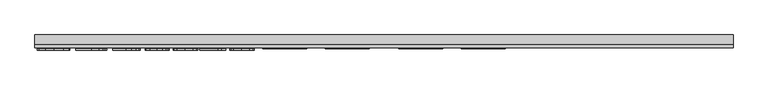
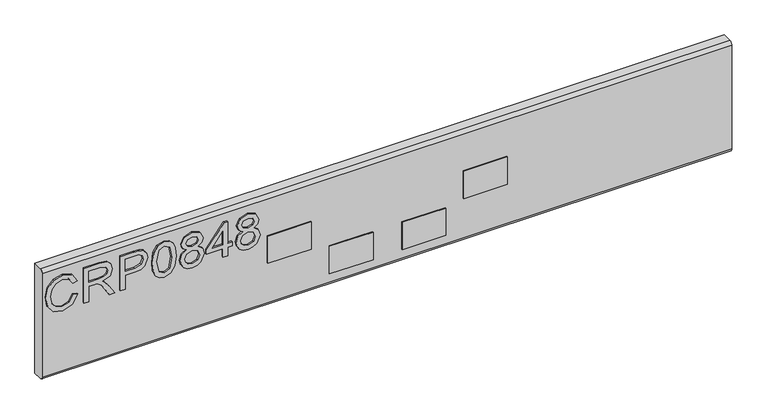
"""IFC4 building model written with IfcOpenShell, lengths in millimetres: furniture geometry."""

from ifc_helpers import new_model, si_unit, point, frame, frame_2d, origin, place, context, project, spatial, polyline, circle_curve, trimmed, segment, composite_curve, outline, extrude, source, transform, mapped, element, save


def furniture_3cf11c0f(model_context):
    return source(origin(), model_context, "Body", "SweptSolid", [
        extrude(outline(polyline([(905.3252652, -802.6680206), (893.5827171, -809.4347807), (889.6270047, -821.636752), (892.5314943, -832.6395507), (901.307258, -840.1304865), (915.0432359, -842.5366187), (926.8947997, -840.5042546), (936.0521183, -833.4571684), (939.4627523, -820.9826579), (936.3869522, -810.2056774), (926.5833263, -803.6647356), (928.4833141, -795.6910159), (942.4684708, -804.7003847), (947.4364719, -820.6711844), (943.597562, -835.9956768), (932.3611582, -846.7337231), (915.0276623, -850.5103383), (897.9744924, -847.1697859), (885.8426026, -837.4362414), (881.653285, -820.8424948), (887.1897251, -804.1475194), (903.2695406, -794.694301), (905.3252652, -802.6680206)])), frame((0.0, 1146.9916162, 0.0), z_axis=(0.0, 1.0, 0.0), x_axis=(0.0, 0.0, 1.0)), (0.0, 0.0, 1.0), 2.38125),
        extrude(outline(polyline([(882.65, -783.7304365), (882.65, -775.7567169), (910.5580187, -775.7567169), (910.5580187, -766.1321881), (910.2776926, -761.5068078), (908.7592596, -757.7146189), (904.62445, -753.5019409), (895.8720468, -747.5060775), (882.65, -739.2053108), (882.65, -729.9389764), (899.936775, -740.5757938), (908.1440996, -747.0388673), (911.5547336, -751.5708056), (917.4883023, -738.2163826), (928.9816716, -733.8946889), (938.6295609, -736.5032788), (944.7188663, -743.4802835), (946.4397569, -756.242907), (946.4397569, -783.7304365), (882.65, -783.7304365)]), holes=[polyline([(918.5317383, -775.7567169), (938.4660373, -775.7567169), (938.4660373, -755.9002862), (935.7094975, -745.2401083), (928.6857719, -741.8684085), (923.2739211, -743.6360202), (919.6608294, -748.806479), (918.5317383, -757.9092898), (918.5317383, -775.7567169)])]), frame((0.0, 1146.9916162, 0.0), z_axis=(0.0, 1.0, 0.0), x_axis=(0.0, 0.0, 1.0)), (0.0, 0.0, 1.0), 2.38125),
        extrude(outline(polyline([(882.65, -719.9406796), (882.65, -711.96696), (908.5645888, -711.96696), (908.5645888, -695.7547683), (909.974006, -684.4268693), (914.2022577, -677.2298865), (927.9849567, -672.0983619), (936.682852, -673.9983497), (942.8500257, -679.0208587), (945.8323838, -686.7687601), (946.4397569, -696.2998468), (946.4397569, -719.9406796), (882.65, -719.9406796)]), holes=[polyline([(916.5383084, -711.96696), (938.4660373, -711.96696), (938.4660373, -695.4744422), (937.9209588, -687.5007226), (934.3078671, -682.1200192), (927.7046306, -680.0720815), (919.4661585, -683.5450101), (916.5383084, -695.2875582), (916.5383084, -711.96696)])]), frame((0.0, 1146.9916162, 0.0), z_axis=(0.0, 1.0, 0.0), x_axis=(0.0, 0.0, 1.0)), (0.0, 0.0, 1.0), 2.38125),
        extrude(outline(polyline([(914.0309473, -664.1246422), (898.5156775, -662.5361278), (887.7270168, -657.7705844), (883.171718, -651.4788213), (881.653285, -643.1936283), (885.1495742, -631.5211617), (895.7552443, -624.5830913), (914.0309473, -622.2626143), (929.0206058, -623.7109657), (938.4582505, -627.4486467), (944.3840324, -633.8805729), (946.4397569, -643.1936283), (942.9668283, -654.8193737), (932.3845188, -661.7808047), (914.0309473, -664.1246422)]), holes=[polyline([(914.046521, -656.1509226), (934.1988514, -652.2886522), (938.4660373, -643.2870703), (933.6226256, -633.8494256), (914.046521, -630.2363339), (894.2601718, -633.9740149), (889.6270047, -643.1936283), (894.2445982, -652.4132416), (914.046521, -656.1509226)])]), frame((0.0, 1146.9916162, 0.0), z_axis=(0.0, 1.0, 0.0), x_axis=(0.0, 0.0, 1.0)), (0.0, 0.0, 1.0), 2.38125),
        extrude(outline(polyline([(917.7842021, -603.6676509), (911.9907964, -612.2643174), (901.4318474, -615.2856096), (893.6742125, -613.845045), (887.3143145, -609.5233513), (883.0685424, -602.8500332), (881.653285, -594.3545956), (883.0627023, -585.859158), (887.290954, -579.1858399), (901.213816, -573.4235816), (911.5313731, -576.3280713), (917.7842021, -584.8079352), (922.713269, -577.7452753), (930.2275653, -575.4170115), (941.7209346, -580.649765), (946.4397569, -594.4636113), (941.8299503, -608.1528682), (930.4455967, -613.2921797), (922.7366295, -610.9327685), (917.7842021, -603.6676509)]), holes=[polyline([(930.2119916, -605.3184601), (936.0365446, -602.4451177), (938.4660373, -594.3545956), (935.9820368, -586.2874339), (929.8537972, -583.3907311), (923.9358022, -586.1939919), (921.5218831, -594.2611536), (923.9513758, -602.4918388), (930.2119916, -605.3184601)]), polyline([(901.7121735, -607.31189), (910.1686769, -603.9401902), (913.5481635, -594.5570533), (910.1219559, -584.9013772), (901.4629947, -581.3973012), (892.9675571, -584.7923615), (889.6270047, -594.2923009), (891.2155191, -601.2693056), (895.7085232, -605.9803411), (901.7121735, -607.31189)])]), frame((0.0, 1146.9916162, 0.0), z_axis=(0.0, 1.0, 0.0), x_axis=(0.0, 0.0, 1.0)), (0.0, 0.0, 1.0), 2.38125),
        extrude(outline(polyline([(882.65, -540.5319882), (882.65, -532.5582685), (897.6007243, -532.5582685), (897.6007243, -524.5845489), (905.5744439, -524.5845489), (905.5744439, -532.5582685), (945.443042, -532.5582685), (945.443042, -538.5385583), (905.5744439, -569.4367218), (897.6007243, -569.4367218), (897.6007243, -540.5319882), (882.65, -540.5319882)]), holes=[polyline([(905.5744439, -540.5319882), (905.5744439, -559.625309), (930.2119916, -540.5319882), (905.5744439, -540.5319882)])]), frame((0.0, 1146.9916162, 0.0), z_axis=(0.0, 1.0, 0.0), x_axis=(0.0, 0.0, 1.0)), (0.0, 0.0, 1.0), 2.38125),
        extrude(outline(polyline([(917.7842021, -505.9895856), (911.9907964, -514.5862521), (901.4318474, -517.6075443), (893.6742125, -516.1669797), (887.3143145, -511.8452859), (883.0685424, -505.1719679), (881.653285, -496.6765303), (883.0627023, -488.1810927), (887.290954, -481.5077746), (901.213816, -475.7455163), (911.5313731, -478.6500059), (917.7842021, -487.1298699), (922.713269, -480.06721), (930.2275653, -477.7389462), (941.7209346, -482.9716997), (946.4397569, -496.785546), (941.8299503, -510.4748029), (930.4455967, -515.6141144), (922.7366295, -513.2547032), (917.7842021, -505.9895856)]), holes=[polyline([(930.2119916, -507.6403947), (936.0365446, -504.7670524), (938.4660373, -496.6765303), (935.9820368, -488.6093686), (929.8537972, -485.7126658), (923.9358022, -488.5159266), (921.5218831, -496.5830882), (923.9513758, -504.8137734), (930.2119916, -507.6403947)]), polyline([(901.7121735, -509.6338246), (910.1686769, -506.2621248), (913.5481635, -496.878988), (910.1219559, -487.2233119), (901.4629947, -483.7192359), (892.9675571, -487.1142962), (889.6270047, -496.6142356), (891.2155191, -503.5912402), (895.7085232, -508.3022758), (901.7121735, -509.6338246)])]), frame((0.0, 1146.9916162, 0.0), z_axis=(0.0, 1.0, 0.0), x_axis=(0.0, 0.0, 1.0)), (0.0, 0.0, 1.0), 2.38125),
        extrude(outline(polyline([(-117.8971981, 1150.9603662), (-41.6971981, 1150.9603662), (-41.6971981, 1149.3728662), (-117.8971981, 1149.3728662), (-117.8971981, 1150.9603662)])), frame((0.0, 0.0, 841.374997), z_axis=(0.0, 0.0, 1.0), x_axis=(1.0, 0.0, 0.0)), (0.0, 0.0, 1.0), 50.8000061),
        extrude(outline(polyline([(-460.7971981, 1150.9603662), (-384.5971981, 1150.9603662), (-384.5971981, 1149.3728662), (-460.7971981, 1149.3728662), (-460.7971981, 1150.9603662)])), frame((0.0, 0.0, 841.374997), z_axis=(0.0, 0.0, 1.0), x_axis=(1.0, 0.0, 0.0)), (0.0, 0.0, 1.0), 50.8000061),
        extrude(outline(polyline([(-352.8471921, 1150.9603662), (-276.6471921, 1150.9603662), (-276.6471921, 1149.3728662), (-352.8471921, 1149.3728662), (-352.8471921, 1150.9603662)])), frame((0.0, 0.0, 784.2249992), z_axis=(0.0, 0.0, 1.0), x_axis=(1.0, 0.0, 0.0)), (0.0, 0.0, 1.0), 50.7999992),
        extrude(outline(polyline([(-225.847186, 1150.9603662), (-149.647186, 1150.9603662), (-149.647186, 1149.3728662), (-225.847186, 1149.3728662), (-225.847186, 1150.9603662)])), frame((0.0, 0.0, 784.2249992), z_axis=(0.0, 0.0, 1.0), x_axis=(1.0, 0.0, 0.0)), (0.0, 0.0, 1.0), 50.7999992),
        extrude(outline(composite_curve([segment(trimmed(circle_curve(frame_2d((1156.9134912, 959.2468811)), 5.953125), [point((1150.9603662, 959.2468811))], [point((1156.9134912, 965.2000061))], False, "CARTESIAN"), True, "CONTINUOUS"), segment(polyline([(1156.9134912, 965.2000061), (1173.1853662, 965.2000061), (1173.1853662, 762.0), (1156.9134912, 762.0)]), True, "CONTINUOUS"), segment(trimmed(circle_curve(frame_2d((1156.9134912, 767.953125)), 5.953125), [point((1156.9134912, 762.0))], [point((1150.9603662, 767.953125))], False, "CARTESIAN"), True, "CONTINUOUS"), segment(polyline([(1150.9603662, 767.953125), (1150.9603662, 959.2468811)]), True, "CONTINUOUS")], self_intersect=False)), frame((-854.4971981, 0.0, 0.0), z_axis=(1.0, 0.0, 0.0), x_axis=(0.0, 1.0, 0.0)), (0.0, 0.0, 1.0), 1206.5),
    ])


if __name__ == "__main__":
    model = new_model("IFC4")
    model_context = context("Model", 3, world=origin())
    ifc_project = project(units=[si_unit("LENGTHUNIT", "METRE", prefix="MILLI")], contexts=[model_context])
    site = spatial("IfcSite", under=ifc_project)
    building = spatial("IfcBuilding", under=site)
    placement = place(None, origin())
    furniture_shape = furniture_3cf11c0f(model_context)
    element("IfcFurniture", 1, at=placement, inside=building, context=model_context, shape_type="MappedRepresentation", body=[
        mapped(furniture_shape, transform((0.0, 0.0, 0.0), x_axis=(1.0, 0.0, 0.0), y_axis=(0.0, 1.0, 0.0), z_axis=(0.0, 0.0, 1.0))),
    ])
    save(model, "model.ifc")
